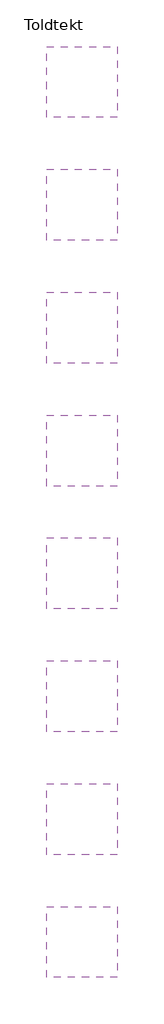
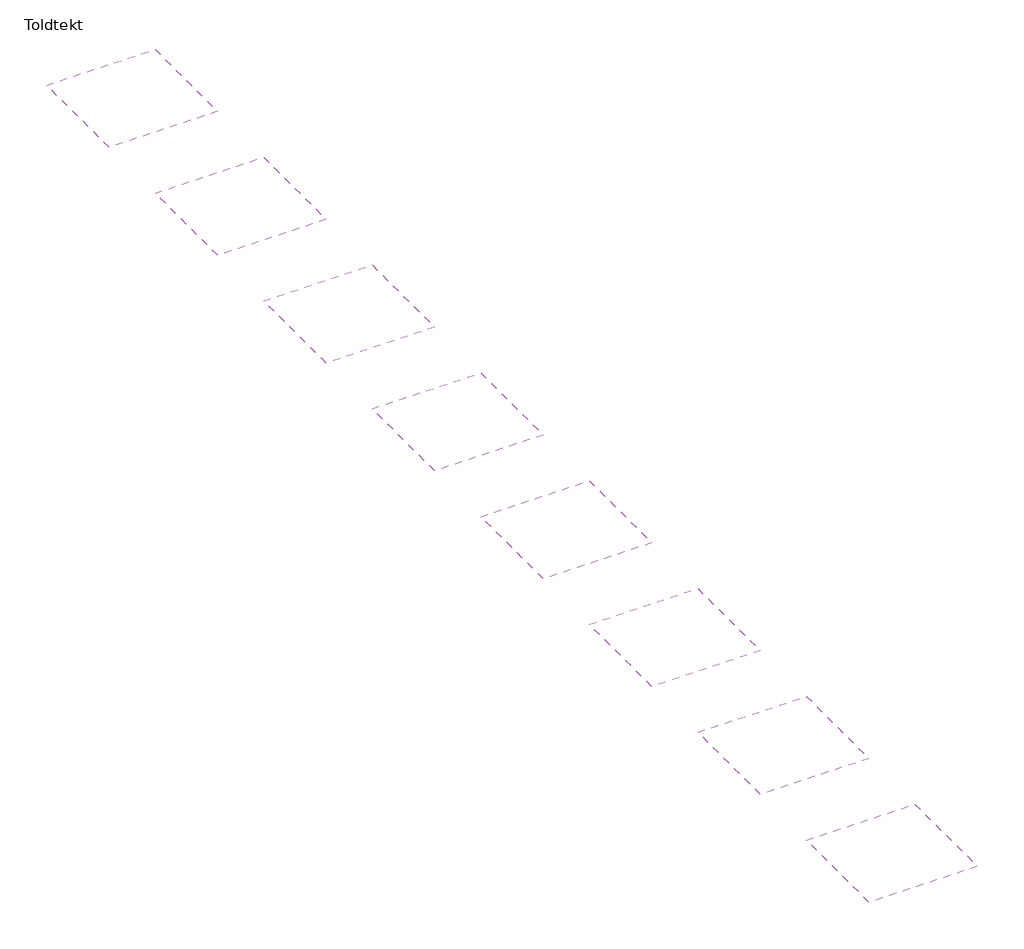
# One storey: 8 coverings.
"""IFC4 building model written with IfcOpenShell, lengths in millimetres."""

from ifc_helpers import new_model, si_unit, frame, origin, place, context, project, spatial, polyline, outline, extrude, element, save

model = new_model("IFC4")

# Units and contexts
model_context = context("Model", 3, world=origin())
ifc_project = project(units=[si_unit("LENGTHUNIT", "METRE", prefix="MILLI")], contexts=[model_context])

# Site, building, storey
site = spatial("IfcSite", under=ifc_project)
building = spatial("IfcBuilding", under=site)
storey = spatial("IfcBuildingStorey", under=building, Name="Toldtekt", Elevation=0.0)

# Coverings
placement = place(None, origin())
element("IfcCovering", 1, ObjectType="Troldtekt_Plus_wood_35+40mm, 600X1200 running bond", at=placement, inside=storey, context=model_context, shape_type="SweptSolid", body=[
    extrude(outline(polyline([(17169.5723108, 24163.0097108), (17169.5723108, 21163.0097108), (14169.5723108, 21163.0097108), (14169.5723108, 24163.0097108), (17169.5723108, 24163.0097108)])), frame((0.0, 0.0, 2600.0), z_axis=(0.0, 0.0, 1.0), x_axis=(1.0, 0.0, 0.0)), (0.0, 0.0, 1.0), 80.0),
])
element("IfcCovering", 2, ObjectType="Troldtekt_Plus_wood_35+40mm, 600X1200 stack bond", at=placement, inside=storey, context=model_context, shape_type="SweptSolid", body=[
    extrude(outline(polyline([(17169.5723108, 18963.021805), (17169.5723108, 15963.021805), (14169.5723108, 15963.021805), (14169.5723108, 18963.021805), (17169.5723108, 18963.021805)])), frame((0.0, 0.0, 2600.0), z_axis=(0.0, 0.0, 1.0), x_axis=(1.0, 0.0, 0.0)), (0.0, 0.0, 1.0), 80.0),
])
element("IfcCovering", 3, ObjectType="Troldtekt_Plus_wood_35+40mm, 600X2000 running bond", at=placement, inside=storey, context=model_context, shape_type="SweptSolid", body=[
    extrude(outline(polyline([(17169.5723108, 13763.0338993), (17169.5723108, 10763.0338993), (14169.5723108, 10763.0338993), (14169.5723108, 13763.0338993), (17169.5723108, 13763.0338993)])), frame((0.0, 0.0, 2600.0), z_axis=(0.0, 0.0, 1.0), x_axis=(1.0, 0.0, 0.0)), (0.0, 0.0, 1.0), 80.0),
])
element("IfcCovering", 4, ObjectType="Troldtekt_Plus_wood_35+40mm, 600X2000 stack bond", at=placement, inside=storey, context=model_context, shape_type="SweptSolid", body=[
    extrude(outline(polyline([(17169.5723108, 8563.0459935), (17169.5723108, 5563.0459935), (14169.5723108, 5563.0459935), (14169.5723108, 8563.0459935), (17169.5723108, 8563.0459935)])), frame((0.0, 0.0, 2600.0), z_axis=(0.0, 0.0, 1.0), x_axis=(1.0, 0.0, 0.0)), (0.0, 0.0, 1.0), 80.0),
])
element("IfcCovering", 5, ObjectType="Troldtekt_Plus_wood_35+40mm, 600X2400 running bond", at=placement, inside=storey, context=model_context, shape_type="SweptSolid", body=[
    extrude(outline(polyline([(17169.5723108, 3363.0580878), (17169.5723108, 363.0580878), (14169.5723108, 363.0580878), (14169.5723108, 3363.0580878), (17169.5723108, 3363.0580878)])), frame((0.0, 0.0, 2600.0), z_axis=(0.0, 0.0, 1.0), x_axis=(1.0, 0.0, 0.0)), (0.0, 0.0, 1.0), 80.0),
])
element("IfcCovering", 6, ObjectType="Troldtekt_Plus_wood_35+40mm, 600X2400 stack bond", at=placement, inside=storey, context=model_context, shape_type="SweptSolid", body=[
    extrude(outline(polyline([(17169.5723108, -1836.929818), (17169.5723108, -4836.929818), (14169.5723108, -4836.929818), (14169.5723108, -1836.929818), (17169.5723108, -1836.929818)])), frame((0.0, 0.0, 2600.0), z_axis=(0.0, 0.0, 1.0), x_axis=(1.0, 0.0, 0.0)), (0.0, 0.0, 1.0), 80.0),
])
element("IfcCovering", 7, ObjectType="Troldtekt_Plus_wood_35+40mm, 600X600 running bond", at=placement, inside=storey, context=model_context, shape_type="SweptSolid", body=[
    extrude(outline(polyline([(17169.5723108, 34562.9855223), (17169.5723108, 31562.9855223), (14169.5723108, 31562.9855223), (14169.5723108, 34562.9855223), (17169.5723108, 34562.9855223)])), frame((0.0, 0.0, 2600.0), z_axis=(0.0, 0.0, 1.0), x_axis=(1.0, 0.0, 0.0)), (0.0, 0.0, 1.0), 80.0),
])
element("IfcCovering", 8, ObjectType="Troldtekt_Plus_wood_35+40mm, 600X600 stack bond", at=placement, inside=storey, context=model_context, shape_type="SweptSolid", body=[
    extrude(outline(polyline([(17169.5723108, 29362.9976165), (17169.5723108, 26362.9976165), (14169.5723108, 26362.9976165), (14169.5723108, 29362.9976165), (17169.5723108, 29362.9976165)])), frame((0.0, 0.0, 2600.0), z_axis=(0.0, 0.0, 1.0), x_axis=(1.0, 0.0, 0.0)), (0.0, 0.0, 1.0), 80.0),
])

save(model, "model.ifc")
